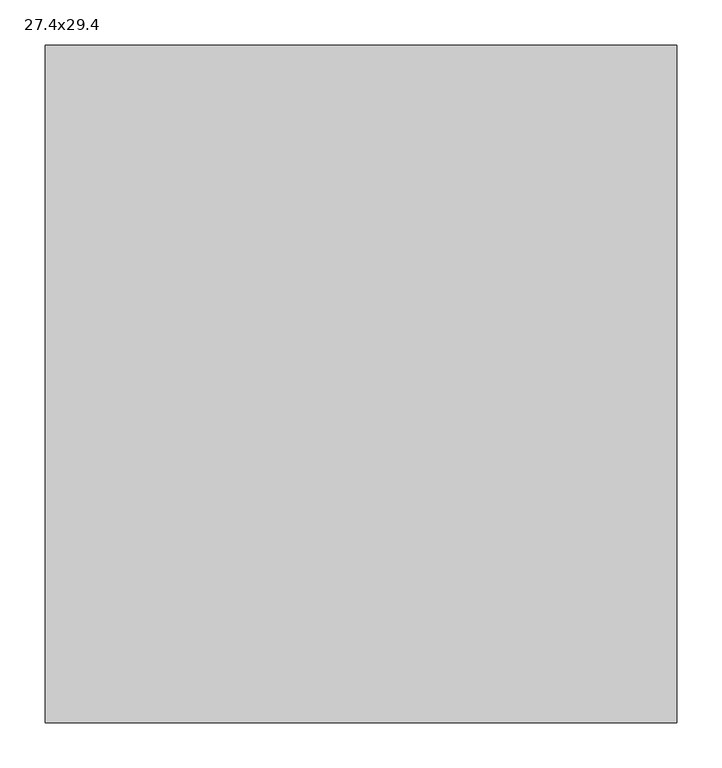
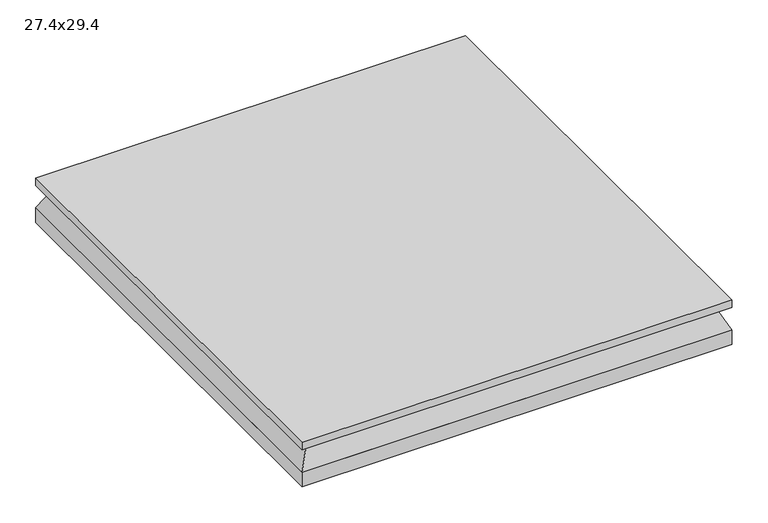
"""IFC4 building model written with IfcOpenShell, lengths in millimetres: air terminal geometry, 27.4x29.4."""

from ifc_helpers import new_model, si_unit, frame, origin, origin_with_axes, place, context, project, spatial, polyline, outline, extrude, faceted_brep, source, transform, mapped, element, save


def air_terminal_27_4x29_4_43dc9289(model_context):
    return source(origin(), model_context, "Body", "SolidModel", [
        faceted_brep([(-328.93, -354.33, 0.0), (328.93, -354.33, 0.0), (328.93, 354.33, 0.0), (-328.93, 354.33, 0.0), (-347.9601562, -373.3601563, -38.1), (-347.9601562, 373.3601562, -38.1), (347.9601563, 373.3601562, -38.1), (347.9601563, -373.3601563, -38.1)], [[[0, 1, 2, 3]], [[4, 5, 6, 7]], [[4, 7, 1, 0]], [[7, 6, 2, 1]], [[6, 5, 3, 2]], [[5, 4, 0, 3]]]),
        extrude(outline(polyline([(347.98, 373.38), (347.98, -373.38), (-347.98, -373.38), (-347.98, 373.38), (347.98, 373.38)])), origin_with_axes(), (0.0, 0.0, 1.0), 12.7),
        extrude(outline(polyline([(-347.9601562, 373.3601562), (347.9601563, 373.3601562), (347.9601563, -373.3601563), (-347.9601562, -373.3601563), (-347.9601562, 373.3601562)])), frame((0.0, 0.0, -63.5), z_axis=(0.0, 0.0, 1.0), x_axis=(1.0, 0.0, 0.0)), (0.0, 0.0, 1.0), 25.4),
    ])


if __name__ == "__main__":
    model = new_model("IFC4")
    model_context = context("Model", 3, world=origin())
    ifc_project = project(units=[si_unit("LENGTHUNIT", "METRE", prefix="MILLI")], contexts=[model_context])
    site = spatial("IfcSite", under=ifc_project)
    building = spatial("IfcBuilding", under=site)
    placement = place(None, origin())
    air_terminal_27_4x29_4_shape = air_terminal_27_4x29_4_43dc9289(model_context)
    element("IfcAirTerminal", 1, ObjectType="27.4x29.4", at=placement, inside=building, context=model_context, shape_type="MappedRepresentation", body=[
        mapped(air_terminal_27_4x29_4_shape, transform((0.0, 0.0, 0.0), x_axis=(1.0, 0.0, 0.0), y_axis=(0.0, 1.0, 0.0), z_axis=(0.0, 0.0, 1.0))),
    ])
    save(model, "model.ifc")
